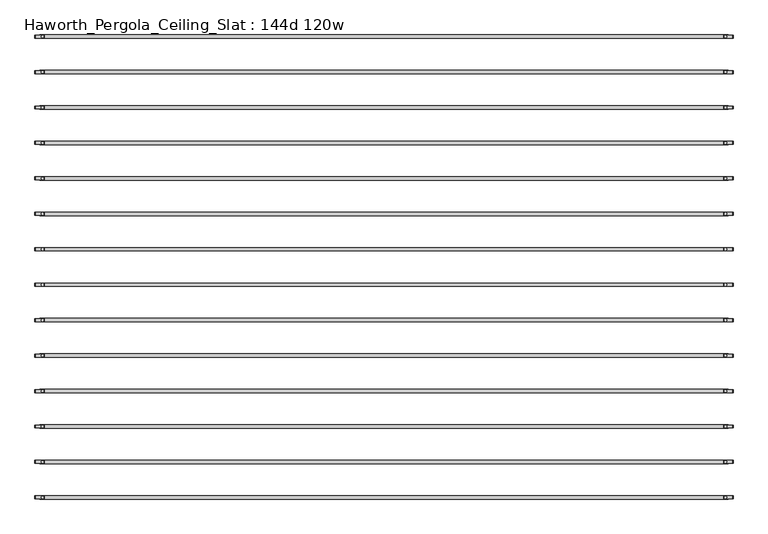
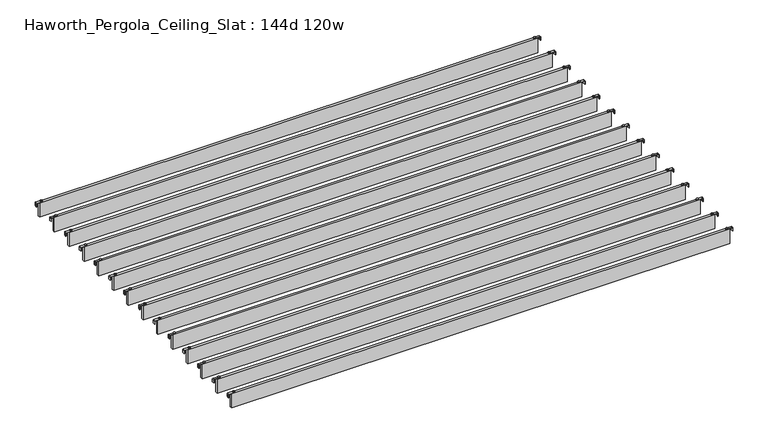
"""IFC4 building model written with IfcOpenShell, lengths in millimetres: furniture geometry, Haworth_Pergola_Ceiling_Slat : 144d 120w."""

from ifc_helpers import new_model, si_unit, point, frame, frame_2d, origin, place, context, project, spatial, polyline, circle_curve, trimmed, segment, composite_curve, outline, extrude, source, transform, mapped, element, save


def haworth_pergola_ceiling_slat_144d_120w_b6685e65(model_context):
    return source(origin(), model_context, "Body", "SweptSolid", [
        extrude(outline(composite_curve([segment(trimmed(circle_curve(frame_2d((1548.4, 307.8756087)), 5.9838099), [point((1542.4161901, 307.8756087))], [point((1554.3838099, 307.8756087))], False, "CARTESIAN"), True, "CONTINUOUS"), segment(trimmed(circle_curve(frame_2d((1548.4, 307.8756087)), 5.9838099), [point((1554.3838099, 307.8756087))], [point((1542.4161901, 307.8756087))], False, "CARTESIAN"), True, "CONTINUOUS")], self_intersect=False)), frame((0.0, 0.0, 2440.9329992), z_axis=(0.0, 0.0, 1.0), x_axis=(1.0, 0.0, 0.0)), (0.0, 0.0, 1.0), 3.4400008),
        extrude(outline(composite_curve([segment(trimmed(circle_curve(frame_2d((-1472.2, 307.8756087)), 5.9838099), [point((-1466.2161901, 307.8756087))], [point((-1478.1838099, 307.8756087))], False, "CARTESIAN"), True, "CONTINUOUS"), segment(trimmed(circle_curve(frame_2d((-1472.2, 307.8756087)), 5.9838099), [point((-1478.1838099, 307.8756087))], [point((-1466.2161901, 307.8756087))], False, "CARTESIAN"), True, "CONTINUOUS")], self_intersect=False)), frame((0.0, 0.0, 2440.9329992), z_axis=(0.0, 0.0, 1.0), x_axis=(1.0, 0.0, 0.0)), (0.0, 0.0, 1.0), 3.4400008),
        extrude(outline(composite_curve([segment(polyline([(2419.2231711, 1582.56), (2437.2499992, 1582.56)]), True, "CONTINUOUS"), segment(trimmed(circle_curve(frame_2d((2437.2499992, 1578.877)), 3.683), [point((2437.2499992, 1582.56))], [point((2440.9329992, 1578.877))], False, "CARTESIAN"), True, "CONTINUOUS"), segment(polyline([(2440.9329992, 1578.877), (2440.9329992, 1541.9), (2438.2729997, 1541.9), (2438.2729997, 1578.8905568)]), True, "CONTINUOUS"), segment(trimmed(circle_curve(frame_2d((2437.2635571, 1578.8905568)), 1.0094425), [point((2438.2729997, 1578.8905568))], [point((2437.2635571, 1579.8999993))], True, "CARTESIAN"), True, "CONTINUOUS"), segment(polyline([(2437.2635571, 1579.8999993), (2419.2231711, 1579.8999993), (2419.2231711, 1582.56)]), True, "CONTINUOUS")], self_intersect=False)), frame((0.0, 301.3826084, 0.0), z_axis=(0.0, 1.0, 0.0), x_axis=(0.0, 0.0, 1.0)), (0.0, 0.0, 1.0), 13.0),
        extrude(outline(composite_curve([segment(polyline([(2419.2231711, -1506.36), (2419.2231711, -1503.6999993), (2437.2635571, -1503.6999993)]), True, "CONTINUOUS"), segment(trimmed(circle_curve(frame_2d((2437.2635571, -1502.6905568)), 1.0094425), [point((2437.2635571, -1503.6999993))], [point((2438.2729997, -1502.6905568))], True, "CARTESIAN"), True, "CONTINUOUS"), segment(polyline([(2438.2729997, -1502.6905568), (2438.2729997, -1465.7), (2440.9329992, -1465.7), (2440.9329992, -1502.677)]), True, "CONTINUOUS"), segment(trimmed(circle_curve(frame_2d((2437.2499992, -1502.677)), 3.683), [point((2440.9329992, -1502.677))], [point((2437.2499992, -1506.36))], False, "CARTESIAN"), True, "CONTINUOUS"), segment(polyline([(2437.2499992, -1506.36), (2419.2231711, -1506.36)]), True, "CONTINUOUS")], self_intersect=False)), frame((0.0, 301.3826084, 0.0), z_axis=(0.0, 1.0, 0.0), x_axis=(0.0, 0.0, 1.0)), (0.0, 0.0, 1.0), 13.0),
        extrude(outline(polyline([(-1485.9, 300.3826087), (-1485.9, 315.3686087), (1562.1, 315.3686087), (1562.1, 300.3826087), (-1485.9, 300.3826087)])), frame((0.0, 0.0, 2346.198), z_axis=(0.0, 0.0, 1.0), x_axis=(1.0, 0.0, 0.0)), (0.0, 0.0, 1.0), 92.202),
        extrude(outline(composite_curve([segment(trimmed(circle_curve(frame_2d((1548.4, 151.0582174)), 5.9838099), [point((1542.4161901, 151.0582174))], [point((1554.3838099, 151.0582174))], False, "CARTESIAN"), True, "CONTINUOUS"), segment(trimmed(circle_curve(frame_2d((1548.4, 151.0582174)), 5.9838099), [point((1554.3838099, 151.0582174))], [point((1542.4161901, 151.0582174))], False, "CARTESIAN"), True, "CONTINUOUS")], self_intersect=False)), frame((0.0, 0.0, 2440.9329992), z_axis=(0.0, 0.0, 1.0), x_axis=(1.0, 0.0, 0.0)), (0.0, 0.0, 1.0), 3.4400008),
        extrude(outline(composite_curve([segment(trimmed(circle_curve(frame_2d((-1472.2, 151.0582174)), 5.9838099), [point((-1466.2161901, 151.0582174))], [point((-1478.1838099, 151.0582174))], False, "CARTESIAN"), True, "CONTINUOUS"), segment(trimmed(circle_curve(frame_2d((-1472.2, 151.0582174)), 5.9838099), [point((-1478.1838099, 151.0582174))], [point((-1466.2161901, 151.0582174))], False, "CARTESIAN"), True, "CONTINUOUS")], self_intersect=False)), frame((0.0, 0.0, 2440.9329992), z_axis=(0.0, 0.0, 1.0), x_axis=(1.0, 0.0, 0.0)), (0.0, 0.0, 1.0), 3.4400008),
        extrude(outline(composite_curve([segment(polyline([(2419.2231711, 1582.56), (2437.2499992, 1582.56)]), True, "CONTINUOUS"), segment(trimmed(circle_curve(frame_2d((2437.2499992, 1578.877)), 3.683), [point((2437.2499992, 1582.56))], [point((2440.9329992, 1578.877))], False, "CARTESIAN"), True, "CONTINUOUS"), segment(polyline([(2440.9329992, 1578.877), (2440.9329992, 1541.9), (2438.2729997, 1541.9), (2438.2729997, 1578.8905568)]), True, "CONTINUOUS"), segment(trimmed(circle_curve(frame_2d((2437.2635571, 1578.8905568)), 1.0094425), [point((2438.2729997, 1578.8905568))], [point((2437.2635571, 1579.8999993))], True, "CARTESIAN"), True, "CONTINUOUS"), segment(polyline([(2437.2635571, 1579.8999993), (2419.2231711, 1579.8999993), (2419.2231711, 1582.56)]), True, "CONTINUOUS")], self_intersect=False)), frame((0.0, 144.5652171, 0.0), z_axis=(0.0, 1.0, 0.0), x_axis=(0.0, 0.0, 1.0)), (0.0, 0.0, 1.0), 13.0),
        extrude(outline(composite_curve([segment(polyline([(2419.2231711, -1506.36), (2419.2231711, -1503.6999993), (2437.2635571, -1503.6999993)]), True, "CONTINUOUS"), segment(trimmed(circle_curve(frame_2d((2437.2635571, -1502.6905568)), 1.0094425), [point((2437.2635571, -1503.6999993))], [point((2438.2729997, -1502.6905568))], True, "CARTESIAN"), True, "CONTINUOUS"), segment(polyline([(2438.2729997, -1502.6905568), (2438.2729997, -1465.7), (2440.9329992, -1465.7), (2440.9329992, -1502.677)]), True, "CONTINUOUS"), segment(trimmed(circle_curve(frame_2d((2437.2499992, -1502.677)), 3.683), [point((2440.9329992, -1502.677))], [point((2437.2499992, -1506.36))], False, "CARTESIAN"), True, "CONTINUOUS"), segment(polyline([(2437.2499992, -1506.36), (2419.2231711, -1506.36)]), True, "CONTINUOUS")], self_intersect=False)), frame((0.0, 144.5652171, 0.0), z_axis=(0.0, 1.0, 0.0), x_axis=(0.0, 0.0, 1.0)), (0.0, 0.0, 1.0), 13.0),
        extrude(outline(polyline([(-1485.9, 143.5652174), (-1485.9, 158.5512174), (1562.1, 158.5512174), (1562.1, 143.5652174), (-1485.9, 143.5652174)])), frame((0.0, 0.0, 2346.198), z_axis=(0.0, 0.0, 1.0), x_axis=(1.0, 0.0, 0.0)), (0.0, 0.0, 1.0), 92.202),
        extrude(outline(composite_curve([segment(trimmed(circle_curve(frame_2d((1548.4, -5.7591739)), 5.9838099), [point((1542.4161901, -5.7591739))], [point((1554.3838099, -5.7591739))], False, "CARTESIAN"), True, "CONTINUOUS"), segment(trimmed(circle_curve(frame_2d((1548.4, -5.7591739)), 5.9838099), [point((1554.3838099, -5.7591739))], [point((1542.4161901, -5.7591739))], False, "CARTESIAN"), True, "CONTINUOUS")], self_intersect=False)), frame((0.0, 0.0, 2440.9329992), z_axis=(0.0, 0.0, 1.0), x_axis=(1.0, 0.0, 0.0)), (0.0, 0.0, 1.0), 3.4400008),
        extrude(outline(composite_curve([segment(trimmed(circle_curve(frame_2d((-1472.2, -5.7591739)), 5.9838099), [point((-1466.2161901, -5.7591739))], [point((-1478.1838099, -5.7591739))], False, "CARTESIAN"), True, "CONTINUOUS"), segment(trimmed(circle_curve(frame_2d((-1472.2, -5.7591739)), 5.9838099), [point((-1478.1838099, -5.7591739))], [point((-1466.2161901, -5.7591739))], False, "CARTESIAN"), True, "CONTINUOUS")], self_intersect=False)), frame((0.0, 0.0, 2440.9329992), z_axis=(0.0, 0.0, 1.0), x_axis=(1.0, 0.0, 0.0)), (0.0, 0.0, 1.0), 3.4400008),
        extrude(outline(composite_curve([segment(polyline([(2419.2231711, 1582.56), (2437.2499992, 1582.56)]), True, "CONTINUOUS"), segment(trimmed(circle_curve(frame_2d((2437.2499992, 1578.877)), 3.683), [point((2437.2499992, 1582.56))], [point((2440.9329992, 1578.877))], False, "CARTESIAN"), True, "CONTINUOUS"), segment(polyline([(2440.9329992, 1578.877), (2440.9329992, 1541.9), (2438.2729997, 1541.9), (2438.2729997, 1578.8905568)]), True, "CONTINUOUS"), segment(trimmed(circle_curve(frame_2d((2437.2635571, 1578.8905568)), 1.0094425), [point((2438.2729997, 1578.8905568))], [point((2437.2635571, 1579.8999993))], True, "CARTESIAN"), True, "CONTINUOUS"), segment(polyline([(2437.2635571, 1579.8999993), (2419.2231711, 1579.8999993), (2419.2231711, 1582.56)]), True, "CONTINUOUS")], self_intersect=False)), frame((0.0, -12.2521743, 0.0), z_axis=(0.0, 1.0, 0.0), x_axis=(0.0, 0.0, 1.0)), (0.0, 0.0, 1.0), 13.0),
        extrude(outline(composite_curve([segment(polyline([(2419.2231711, -1506.36), (2419.2231711, -1503.6999993), (2437.2635571, -1503.6999993)]), True, "CONTINUOUS"), segment(trimmed(circle_curve(frame_2d((2437.2635571, -1502.6905568)), 1.0094425), [point((2437.2635571, -1503.6999993))], [point((2438.2729997, -1502.6905568))], True, "CARTESIAN"), True, "CONTINUOUS"), segment(polyline([(2438.2729997, -1502.6905568), (2438.2729997, -1465.7), (2440.9329992, -1465.7), (2440.9329992, -1502.677)]), True, "CONTINUOUS"), segment(trimmed(circle_curve(frame_2d((2437.2499992, -1502.677)), 3.683), [point((2440.9329992, -1502.677))], [point((2437.2499992, -1506.36))], False, "CARTESIAN"), True, "CONTINUOUS"), segment(polyline([(2437.2499992, -1506.36), (2419.2231711, -1506.36)]), True, "CONTINUOUS")], self_intersect=False)), frame((0.0, -12.2521743, 0.0), z_axis=(0.0, 1.0, 0.0), x_axis=(0.0, 0.0, 1.0)), (0.0, 0.0, 1.0), 13.0),
        extrude(outline(polyline([(-1485.9, -13.2521739), (-1485.9, 1.7338261), (1562.1, 1.7338261), (1562.1, -13.2521739), (-1485.9, -13.2521739)])), frame((0.0, 0.0, 2346.198), z_axis=(0.0, 0.0, 1.0), x_axis=(1.0, 0.0, 0.0)), (0.0, 0.0, 1.0), 92.202),
        extrude(outline(composite_curve([segment(trimmed(circle_curve(frame_2d((1548.4, -162.5765652)), 5.9838099), [point((1542.4161901, -162.5765652))], [point((1554.3838099, -162.5765652))], False, "CARTESIAN"), True, "CONTINUOUS"), segment(trimmed(circle_curve(frame_2d((1548.4, -162.5765652)), 5.9838099), [point((1554.3838099, -162.5765652))], [point((1542.4161901, -162.5765652))], False, "CARTESIAN"), True, "CONTINUOUS")], self_intersect=False)), frame((0.0, 0.0, 2440.9329992), z_axis=(0.0, 0.0, 1.0), x_axis=(1.0, 0.0, 0.0)), (0.0, 0.0, 1.0), 3.4400008),
        extrude(outline(composite_curve([segment(trimmed(circle_curve(frame_2d((-1472.2, -162.5765652)), 5.9838099), [point((-1466.2161901, -162.5765652))], [point((-1478.1838099, -162.5765652))], False, "CARTESIAN"), True, "CONTINUOUS"), segment(trimmed(circle_curve(frame_2d((-1472.2, -162.5765652)), 5.9838099), [point((-1478.1838099, -162.5765652))], [point((-1466.2161901, -162.5765652))], False, "CARTESIAN"), True, "CONTINUOUS")], self_intersect=False)), frame((0.0, 0.0, 2440.9329992), z_axis=(0.0, 0.0, 1.0), x_axis=(1.0, 0.0, 0.0)), (0.0, 0.0, 1.0), 3.4400008),
        extrude(outline(composite_curve([segment(polyline([(2419.2231711, 1582.56), (2437.2499992, 1582.56)]), True, "CONTINUOUS"), segment(trimmed(circle_curve(frame_2d((2437.2499992, 1578.877)), 3.683), [point((2437.2499992, 1582.56))], [point((2440.9329992, 1578.877))], False, "CARTESIAN"), True, "CONTINUOUS"), segment(polyline([(2440.9329992, 1578.877), (2440.9329992, 1541.9), (2438.2729997, 1541.9), (2438.2729997, 1578.8905568)]), True, "CONTINUOUS"), segment(trimmed(circle_curve(frame_2d((2437.2635571, 1578.8905568)), 1.0094425), [point((2438.2729997, 1578.8905568))], [point((2437.2635571, 1579.8999993))], True, "CARTESIAN"), True, "CONTINUOUS"), segment(polyline([(2437.2635571, 1579.8999993), (2419.2231711, 1579.8999993), (2419.2231711, 1582.56)]), True, "CONTINUOUS")], self_intersect=False)), frame((0.0, -169.0695656, 0.0), z_axis=(0.0, 1.0, 0.0), x_axis=(0.0, 0.0, 1.0)), (0.0, 0.0, 1.0), 13.0),
        extrude(outline(composite_curve([segment(polyline([(2419.2231711, -1506.36), (2419.2231711, -1503.6999993), (2437.2635571, -1503.6999993)]), True, "CONTINUOUS"), segment(trimmed(circle_curve(frame_2d((2437.2635571, -1502.6905568)), 1.0094425), [point((2437.2635571, -1503.6999993))], [point((2438.2729997, -1502.6905568))], True, "CARTESIAN"), True, "CONTINUOUS"), segment(polyline([(2438.2729997, -1502.6905568), (2438.2729997, -1465.7), (2440.9329992, -1465.7), (2440.9329992, -1502.677)]), True, "CONTINUOUS"), segment(trimmed(circle_curve(frame_2d((2437.2499992, -1502.677)), 3.683), [point((2440.9329992, -1502.677))], [point((2437.2499992, -1506.36))], False, "CARTESIAN"), True, "CONTINUOUS"), segment(polyline([(2437.2499992, -1506.36), (2419.2231711, -1506.36)]), True, "CONTINUOUS")], self_intersect=False)), frame((0.0, -169.0695656, 0.0), z_axis=(0.0, 1.0, 0.0), x_axis=(0.0, 0.0, 1.0)), (0.0, 0.0, 1.0), 13.0),
        extrude(outline(polyline([(-1485.9, -170.0695652), (-1485.9, -155.0835652), (1562.1, -155.0835652), (1562.1, -170.0695652), (-1485.9, -170.0695652)])), frame((0.0, 0.0, 2346.198), z_axis=(0.0, 0.0, 1.0), x_axis=(1.0, 0.0, 0.0)), (0.0, 0.0, 1.0), 92.202),
        extrude(outline(composite_curve([segment(trimmed(circle_curve(frame_2d((1548.4, -319.3939565)), 5.9838099), [point((1542.4161901, -319.3939565))], [point((1554.3838099, -319.3939565))], False, "CARTESIAN"), True, "CONTINUOUS"), segment(trimmed(circle_curve(frame_2d((1548.4, -319.3939565)), 5.9838099), [point((1554.3838099, -319.3939565))], [point((1542.4161901, -319.3939565))], False, "CARTESIAN"), True, "CONTINUOUS")], self_intersect=False)), frame((0.0, 0.0, 2440.9329992), z_axis=(0.0, 0.0, 1.0), x_axis=(1.0, 0.0, 0.0)), (0.0, 0.0, 1.0), 3.4400008),
        extrude(outline(composite_curve([segment(trimmed(circle_curve(frame_2d((-1472.2, -319.3939565)), 5.9838099), [point((-1466.2161901, -319.3939565))], [point((-1478.1838099, -319.3939565))], False, "CARTESIAN"), True, "CONTINUOUS"), segment(trimmed(circle_curve(frame_2d((-1472.2, -319.3939565)), 5.9838099), [point((-1478.1838099, -319.3939565))], [point((-1466.2161901, -319.3939565))], False, "CARTESIAN"), True, "CONTINUOUS")], self_intersect=False)), frame((0.0, 0.0, 2440.9329992), z_axis=(0.0, 0.0, 1.0), x_axis=(1.0, 0.0, 0.0)), (0.0, 0.0, 1.0), 3.4400008),
        extrude(outline(composite_curve([segment(polyline([(2419.2231711, 1582.56), (2437.2499992, 1582.56)]), True, "CONTINUOUS"), segment(trimmed(circle_curve(frame_2d((2437.2499992, 1578.877)), 3.683), [point((2437.2499992, 1582.56))], [point((2440.9329992, 1578.877))], False, "CARTESIAN"), True, "CONTINUOUS"), segment(polyline([(2440.9329992, 1578.877), (2440.9329992, 1541.9), (2438.2729997, 1541.9), (2438.2729997, 1578.8905568)]), True, "CONTINUOUS"), segment(trimmed(circle_curve(frame_2d((2437.2635571, 1578.8905568)), 1.0094425), [point((2438.2729997, 1578.8905568))], [point((2437.2635571, 1579.8999993))], True, "CARTESIAN"), True, "CONTINUOUS"), segment(polyline([(2437.2635571, 1579.8999993), (2419.2231711, 1579.8999993), (2419.2231711, 1582.56)]), True, "CONTINUOUS")], self_intersect=False)), frame((0.0, -325.8869569, 0.0), z_axis=(0.0, 1.0, 0.0), x_axis=(0.0, 0.0, 1.0)), (0.0, 0.0, 1.0), 13.0),
        extrude(outline(composite_curve([segment(polyline([(2419.2231711, -1506.36), (2419.2231711, -1503.6999993), (2437.2635571, -1503.6999993)]), True, "CONTINUOUS"), segment(trimmed(circle_curve(frame_2d((2437.2635571, -1502.6905568)), 1.0094425), [point((2437.2635571, -1503.6999993))], [point((2438.2729997, -1502.6905568))], True, "CARTESIAN"), True, "CONTINUOUS"), segment(polyline([(2438.2729997, -1502.6905568), (2438.2729997, -1465.7), (2440.9329992, -1465.7), (2440.9329992, -1502.677)]), True, "CONTINUOUS"), segment(trimmed(circle_curve(frame_2d((2437.2499992, -1502.677)), 3.683), [point((2440.9329992, -1502.677))], [point((2437.2499992, -1506.36))], False, "CARTESIAN"), True, "CONTINUOUS"), segment(polyline([(2437.2499992, -1506.36), (2419.2231711, -1506.36)]), True, "CONTINUOUS")], self_intersect=False)), frame((0.0, -325.8869569, 0.0), z_axis=(0.0, 1.0, 0.0), x_axis=(0.0, 0.0, 1.0)), (0.0, 0.0, 1.0), 13.0),
        extrude(outline(polyline([(-1485.9, -326.8869565), (-1485.9, -311.9009565), (1562.1, -311.9009565), (1562.1, -326.8869565), (-1485.9, -326.8869565)])), frame((0.0, 0.0, 2346.198), z_axis=(0.0, 0.0, 1.0), x_axis=(1.0, 0.0, 0.0)), (0.0, 0.0, 1.0), 92.202),
        extrude(outline(composite_curve([segment(trimmed(circle_curve(frame_2d((1548.4, -476.2113478)), 5.9838099), [point((1542.4161901, -476.2113478))], [point((1554.3838099, -476.2113478))], False, "CARTESIAN"), True, "CONTINUOUS"), segment(trimmed(circle_curve(frame_2d((1548.4, -476.2113478)), 5.9838099), [point((1554.3838099, -476.2113478))], [point((1542.4161901, -476.2113478))], False, "CARTESIAN"), True, "CONTINUOUS")], self_intersect=False)), frame((0.0, 0.0, 2440.9329992), z_axis=(0.0, 0.0, 1.0), x_axis=(1.0, 0.0, 0.0)), (0.0, 0.0, 1.0), 3.4400008),
        extrude(outline(composite_curve([segment(trimmed(circle_curve(frame_2d((-1472.2, -476.2113478)), 5.9838099), [point((-1466.2161901, -476.2113478))], [point((-1478.1838099, -476.2113478))], False, "CARTESIAN"), True, "CONTINUOUS"), segment(trimmed(circle_curve(frame_2d((-1472.2, -476.2113478)), 5.9838099), [point((-1478.1838099, -476.2113478))], [point((-1466.2161901, -476.2113478))], False, "CARTESIAN"), True, "CONTINUOUS")], self_intersect=False)), frame((0.0, 0.0, 2440.9329992), z_axis=(0.0, 0.0, 1.0), x_axis=(1.0, 0.0, 0.0)), (0.0, 0.0, 1.0), 3.4400008),
        extrude(outline(composite_curve([segment(polyline([(2419.2231711, 1582.56), (2437.2499992, 1582.56)]), True, "CONTINUOUS"), segment(trimmed(circle_curve(frame_2d((2437.2499992, 1578.877)), 3.683), [point((2437.2499992, 1582.56))], [point((2440.9329992, 1578.877))], False, "CARTESIAN"), True, "CONTINUOUS"), segment(polyline([(2440.9329992, 1578.877), (2440.9329992, 1541.9), (2438.2729997, 1541.9), (2438.2729997, 1578.8905568)]), True, "CONTINUOUS"), segment(trimmed(circle_curve(frame_2d((2437.2635571, 1578.8905568)), 1.0094425), [point((2438.2729997, 1578.8905568))], [point((2437.2635571, 1579.8999993))], True, "CARTESIAN"), True, "CONTINUOUS"), segment(polyline([(2437.2635571, 1579.8999993), (2419.2231711, 1579.8999993), (2419.2231711, 1582.56)]), True, "CONTINUOUS")], self_intersect=False)), frame((0.0, -482.7043482, 0.0), z_axis=(0.0, 1.0, 0.0), x_axis=(0.0, 0.0, 1.0)), (0.0, 0.0, 1.0), 13.0),
        extrude(outline(composite_curve([segment(polyline([(2419.2231711, -1506.36), (2419.2231711, -1503.6999993), (2437.2635571, -1503.6999993)]), True, "CONTINUOUS"), segment(trimmed(circle_curve(frame_2d((2437.2635571, -1502.6905568)), 1.0094425), [point((2437.2635571, -1503.6999993))], [point((2438.2729997, -1502.6905568))], True, "CARTESIAN"), True, "CONTINUOUS"), segment(polyline([(2438.2729997, -1502.6905568), (2438.2729997, -1465.7), (2440.9329992, -1465.7), (2440.9329992, -1502.677)]), True, "CONTINUOUS"), segment(trimmed(circle_curve(frame_2d((2437.2499992, -1502.677)), 3.683), [point((2440.9329992, -1502.677))], [point((2437.2499992, -1506.36))], False, "CARTESIAN"), True, "CONTINUOUS"), segment(polyline([(2437.2499992, -1506.36), (2419.2231711, -1506.36)]), True, "CONTINUOUS")], self_intersect=False)), frame((0.0, -482.7043482, 0.0), z_axis=(0.0, 1.0, 0.0), x_axis=(0.0, 0.0, 1.0)), (0.0, 0.0, 1.0), 13.0),
        extrude(outline(polyline([(-1485.9, -483.7043478), (-1485.9, -468.7183478), (1562.1, -468.7183478), (1562.1, -483.7043478), (-1485.9, -483.7043478)])), frame((0.0, 0.0, 2346.198), z_axis=(0.0, 0.0, 1.0), x_axis=(1.0, 0.0, 0.0)), (0.0, 0.0, 1.0), 92.202),
        extrude(outline(composite_curve([segment(trimmed(circle_curve(frame_2d((1548.4, -633.0287391)), 5.9838099), [point((1542.4161901, -633.0287391))], [point((1554.3838099, -633.0287391))], False, "CARTESIAN"), True, "CONTINUOUS"), segment(trimmed(circle_curve(frame_2d((1548.4, -633.0287391)), 5.9838099), [point((1554.3838099, -633.0287391))], [point((1542.4161901, -633.0287391))], False, "CARTESIAN"), True, "CONTINUOUS")], self_intersect=False)), frame((0.0, 0.0, 2440.9329992), z_axis=(0.0, 0.0, 1.0), x_axis=(1.0, 0.0, 0.0)), (0.0, 0.0, 1.0), 3.4400008),
        extrude(outline(composite_curve([segment(trimmed(circle_curve(frame_2d((-1472.2, -633.0287391)), 5.9838099), [point((-1466.2161901, -633.0287391))], [point((-1478.1838099, -633.0287391))], False, "CARTESIAN"), True, "CONTINUOUS"), segment(trimmed(circle_curve(frame_2d((-1472.2, -633.0287391)), 5.9838099), [point((-1478.1838099, -633.0287391))], [point((-1466.2161901, -633.0287391))], False, "CARTESIAN"), True, "CONTINUOUS")], self_intersect=False)), frame((0.0, 0.0, 2440.9329992), z_axis=(0.0, 0.0, 1.0), x_axis=(1.0, 0.0, 0.0)), (0.0, 0.0, 1.0), 3.4400008),
        extrude(outline(composite_curve([segment(polyline([(2419.2231711, 1582.56), (2437.2499992, 1582.56)]), True, "CONTINUOUS"), segment(trimmed(circle_curve(frame_2d((2437.2499992, 1578.877)), 3.683), [point((2437.2499992, 1582.56))], [point((2440.9329992, 1578.877))], False, "CARTESIAN"), True, "CONTINUOUS"), segment(polyline([(2440.9329992, 1578.877), (2440.9329992, 1541.9), (2438.2729997, 1541.9), (2438.2729997, 1578.8905568)]), True, "CONTINUOUS"), segment(trimmed(circle_curve(frame_2d((2437.2635571, 1578.8905568)), 1.0094425), [point((2438.2729997, 1578.8905568))], [point((2437.2635571, 1579.8999993))], True, "CARTESIAN"), True, "CONTINUOUS"), segment(polyline([(2437.2635571, 1579.8999993), (2419.2231711, 1579.8999993), (2419.2231711, 1582.56)]), True, "CONTINUOUS")], self_intersect=False)), frame((0.0, -639.5217395, 0.0), z_axis=(0.0, 1.0, 0.0), x_axis=(0.0, 0.0, 1.0)), (0.0, 0.0, 1.0), 13.0),
        extrude(outline(composite_curve([segment(polyline([(2419.2231711, -1506.36), (2419.2231711, -1503.6999993), (2437.2635571, -1503.6999993)]), True, "CONTINUOUS"), segment(trimmed(circle_curve(frame_2d((2437.2635571, -1502.6905568)), 1.0094425), [point((2437.2635571, -1503.6999993))], [point((2438.2729997, -1502.6905568))], True, "CARTESIAN"), True, "CONTINUOUS"), segment(polyline([(2438.2729997, -1502.6905568), (2438.2729997, -1465.7), (2440.9329992, -1465.7), (2440.9329992, -1502.677)]), True, "CONTINUOUS"), segment(trimmed(circle_curve(frame_2d((2437.2499992, -1502.677)), 3.683), [point((2440.9329992, -1502.677))], [point((2437.2499992, -1506.36))], False, "CARTESIAN"), True, "CONTINUOUS"), segment(polyline([(2437.2499992, -1506.36), (2419.2231711, -1506.36)]), True, "CONTINUOUS")], self_intersect=False)), frame((0.0, -639.5217395, 0.0), z_axis=(0.0, 1.0, 0.0), x_axis=(0.0, 0.0, 1.0)), (0.0, 0.0, 1.0), 13.0),
        extrude(outline(polyline([(-1485.9, -640.5217391), (-1485.9, -625.5357391), (1562.1, -625.5357391), (1562.1, -640.5217391), (-1485.9, -640.5217391)])), frame((0.0, 0.0, 2346.198), z_axis=(0.0, 0.0, 1.0), x_axis=(1.0, 0.0, 0.0)), (0.0, 0.0, 1.0), 92.202),
        extrude(outline(composite_curve([segment(trimmed(circle_curve(frame_2d((1548.4, -789.8461304)), 5.9838099), [point((1542.4161901, -789.8461304))], [point((1554.3838099, -789.8461304))], False, "CARTESIAN"), True, "CONTINUOUS"), segment(trimmed(circle_curve(frame_2d((1548.4, -789.8461304)), 5.9838099), [point((1554.3838099, -789.8461304))], [point((1542.4161901, -789.8461304))], False, "CARTESIAN"), True, "CONTINUOUS")], self_intersect=False)), frame((0.0, 0.0, 2440.9329992), z_axis=(0.0, 0.0, 1.0), x_axis=(1.0, 0.0, 0.0)), (0.0, 0.0, 1.0), 3.4400008),
        extrude(outline(composite_curve([segment(trimmed(circle_curve(frame_2d((-1472.2, -789.8461304)), 5.9838099), [point((-1466.2161901, -789.8461304))], [point((-1478.1838099, -789.8461304))], False, "CARTESIAN"), True, "CONTINUOUS"), segment(trimmed(circle_curve(frame_2d((-1472.2, -789.8461304)), 5.9838099), [point((-1478.1838099, -789.8461304))], [point((-1466.2161901, -789.8461304))], False, "CARTESIAN"), True, "CONTINUOUS")], self_intersect=False)), frame((0.0, 0.0, 2440.9329992), z_axis=(0.0, 0.0, 1.0), x_axis=(1.0, 0.0, 0.0)), (0.0, 0.0, 1.0), 3.4400008),
        extrude(outline(composite_curve([segment(polyline([(2419.2231711, 1582.56), (2437.2499992, 1582.56)]), True, "CONTINUOUS"), segment(trimmed(circle_curve(frame_2d((2437.2499992, 1578.877)), 3.683), [point((2437.2499992, 1582.56))], [point((2440.9329992, 1578.877))], False, "CARTESIAN"), True, "CONTINUOUS"), segment(polyline([(2440.9329992, 1578.877), (2440.9329992, 1541.9), (2438.2729997, 1541.9), (2438.2729997, 1578.8905568)]), True, "CONTINUOUS"), segment(trimmed(circle_curve(frame_2d((2437.2635571, 1578.8905568)), 1.0094425), [point((2438.2729997, 1578.8905568))], [point((2437.2635571, 1579.8999993))], True, "CARTESIAN"), True, "CONTINUOUS"), segment(polyline([(2437.2635571, 1579.8999993), (2419.2231711, 1579.8999993), (2419.2231711, 1582.56)]), True, "CONTINUOUS")], self_intersect=False)), frame((0.0, -796.3391308, 0.0), z_axis=(0.0, 1.0, 0.0), x_axis=(0.0, 0.0, 1.0)), (0.0, 0.0, 1.0), 13.0),
        extrude(outline(composite_curve([segment(polyline([(2419.2231711, -1506.36), (2419.2231711, -1503.6999993), (2437.2635571, -1503.6999993)]), True, "CONTINUOUS"), segment(trimmed(circle_curve(frame_2d((2437.2635571, -1502.6905568)), 1.0094425), [point((2437.2635571, -1503.6999993))], [point((2438.2729997, -1502.6905568))], True, "CARTESIAN"), True, "CONTINUOUS"), segment(polyline([(2438.2729997, -1502.6905568), (2438.2729997, -1465.7), (2440.9329992, -1465.7), (2440.9329992, -1502.677)]), True, "CONTINUOUS"), segment(trimmed(circle_curve(frame_2d((2437.2499992, -1502.677)), 3.683), [point((2440.9329992, -1502.677))], [point((2437.2499992, -1506.36))], False, "CARTESIAN"), True, "CONTINUOUS"), segment(polyline([(2437.2499992, -1506.36), (2419.2231711, -1506.36)]), True, "CONTINUOUS")], self_intersect=False)), frame((0.0, -796.3391308, 0.0), z_axis=(0.0, 1.0, 0.0), x_axis=(0.0, 0.0, 1.0)), (0.0, 0.0, 1.0), 13.0),
        extrude(outline(polyline([(-1485.9, -797.3391304), (-1485.9, -782.3531304), (1562.1, -782.3531304), (1562.1, -797.3391304), (-1485.9, -797.3391304)])), frame((0.0, 0.0, 2346.198), z_axis=(0.0, 0.0, 1.0), x_axis=(1.0, 0.0, 0.0)), (0.0, 0.0, 1.0), 92.202),
        extrude(outline(composite_curve([segment(trimmed(circle_curve(frame_2d((1548.4, -946.6635217)), 5.9838099), [point((1542.4161901, -946.6635217))], [point((1554.3838099, -946.6635217))], False, "CARTESIAN"), True, "CONTINUOUS"), segment(trimmed(circle_curve(frame_2d((1548.4, -946.6635217)), 5.9838099), [point((1554.3838099, -946.6635217))], [point((1542.4161901, -946.6635217))], False, "CARTESIAN"), True, "CONTINUOUS")], self_intersect=False)), frame((0.0, 0.0, 2440.9329992), z_axis=(0.0, 0.0, 1.0), x_axis=(1.0, 0.0, 0.0)), (0.0, 0.0, 1.0), 3.4400008),
        extrude(outline(composite_curve([segment(trimmed(circle_curve(frame_2d((-1472.2, -946.6635217)), 5.9838099), [point((-1466.2161901, -946.6635217))], [point((-1478.1838099, -946.6635217))], False, "CARTESIAN"), True, "CONTINUOUS"), segment(trimmed(circle_curve(frame_2d((-1472.2, -946.6635217)), 5.9838099), [point((-1478.1838099, -946.6635217))], [point((-1466.2161901, -946.6635217))], False, "CARTESIAN"), True, "CONTINUOUS")], self_intersect=False)), frame((0.0, 0.0, 2440.9329992), z_axis=(0.0, 0.0, 1.0), x_axis=(1.0, 0.0, 0.0)), (0.0, 0.0, 1.0), 3.4400008),
        extrude(outline(composite_curve([segment(polyline([(2419.2231711, 1582.56), (2437.2499992, 1582.56)]), True, "CONTINUOUS"), segment(trimmed(circle_curve(frame_2d((2437.2499992, 1578.877)), 3.683), [point((2437.2499992, 1582.56))], [point((2440.9329992, 1578.877))], False, "CARTESIAN"), True, "CONTINUOUS"), segment(polyline([(2440.9329992, 1578.877), (2440.9329992, 1541.9), (2438.2729997, 1541.9), (2438.2729997, 1578.8905568)]), True, "CONTINUOUS"), segment(trimmed(circle_curve(frame_2d((2437.2635571, 1578.8905568)), 1.0094425), [point((2438.2729997, 1578.8905568))], [point((2437.2635571, 1579.8999993))], True, "CARTESIAN"), True, "CONTINUOUS"), segment(polyline([(2437.2635571, 1579.8999993), (2419.2231711, 1579.8999993), (2419.2231711, 1582.56)]), True, "CONTINUOUS")], self_intersect=False)), frame((0.0, -953.1565221, 0.0), z_axis=(0.0, 1.0, 0.0), x_axis=(0.0, 0.0, 1.0)), (0.0, 0.0, 1.0), 13.0),
        extrude(outline(composite_curve([segment(polyline([(2419.2231711, -1506.36), (2419.2231711, -1503.6999993), (2437.2635571, -1503.6999993)]), True, "CONTINUOUS"), segment(trimmed(circle_curve(frame_2d((2437.2635571, -1502.6905568)), 1.0094425), [point((2437.2635571, -1503.6999993))], [point((2438.2729997, -1502.6905568))], True, "CARTESIAN"), True, "CONTINUOUS"), segment(polyline([(2438.2729997, -1502.6905568), (2438.2729997, -1465.7), (2440.9329992, -1465.7), (2440.9329992, -1502.677)]), True, "CONTINUOUS"), segment(trimmed(circle_curve(frame_2d((2437.2499992, -1502.677)), 3.683), [point((2440.9329992, -1502.677))], [point((2437.2499992, -1506.36))], False, "CARTESIAN"), True, "CONTINUOUS"), segment(polyline([(2437.2499992, -1506.36), (2419.2231711, -1506.36)]), True, "CONTINUOUS")], self_intersect=False)), frame((0.0, -953.1565221, 0.0), z_axis=(0.0, 1.0, 0.0), x_axis=(0.0, 0.0, 1.0)), (0.0, 0.0, 1.0), 13.0),
        extrude(outline(polyline([(-1485.9, -954.1565217), (-1485.9, -939.1705217), (1562.1, -939.1705217), (1562.1, -954.1565217), (-1485.9, -954.1565217)])), frame((0.0, 0.0, 2346.198), z_axis=(0.0, 0.0, 1.0), x_axis=(1.0, 0.0, 0.0)), (0.0, 0.0, 1.0), 92.202),
        extrude(outline(composite_curve([segment(trimmed(circle_curve(frame_2d((1548.4, -1103.480913)), 5.9838099), [point((1542.4161901, -1103.480913))], [point((1554.3838099, -1103.480913))], False, "CARTESIAN"), True, "CONTINUOUS"), segment(trimmed(circle_curve(frame_2d((1548.4, -1103.480913)), 5.9838099), [point((1554.3838099, -1103.480913))], [point((1542.4161901, -1103.480913))], False, "CARTESIAN"), True, "CONTINUOUS")], self_intersect=False)), frame((0.0, 0.0, 2440.9329992), z_axis=(0.0, 0.0, 1.0), x_axis=(1.0, 0.0, 0.0)), (0.0, 0.0, 1.0), 3.4400008),
        extrude(outline(composite_curve([segment(trimmed(circle_curve(frame_2d((-1472.2, -1103.480913)), 5.9838099), [point((-1466.2161901, -1103.480913))], [point((-1478.1838099, -1103.480913))], False, "CARTESIAN"), True, "CONTINUOUS"), segment(trimmed(circle_curve(frame_2d((-1472.2, -1103.480913)), 5.9838099), [point((-1478.1838099, -1103.480913))], [point((-1466.2161901, -1103.480913))], False, "CARTESIAN"), True, "CONTINUOUS")], self_intersect=False)), frame((0.0, 0.0, 2440.9329992), z_axis=(0.0, 0.0, 1.0), x_axis=(1.0, 0.0, 0.0)), (0.0, 0.0, 1.0), 3.4400008),
        extrude(outline(composite_curve([segment(polyline([(2419.2231711, 1582.56), (2437.2499992, 1582.56)]), True, "CONTINUOUS"), segment(trimmed(circle_curve(frame_2d((2437.2499992, 1578.877)), 3.683), [point((2437.2499992, 1582.56))], [point((2440.9329992, 1578.877))], False, "CARTESIAN"), True, "CONTINUOUS"), segment(polyline([(2440.9329992, 1578.877), (2440.9329992, 1541.9), (2438.2729997, 1541.9), (2438.2729997, 1578.8905568)]), True, "CONTINUOUS"), segment(trimmed(circle_curve(frame_2d((2437.2635571, 1578.8905568)), 1.0094425), [point((2438.2729997, 1578.8905568))], [point((2437.2635571, 1579.8999993))], True, "CARTESIAN"), True, "CONTINUOUS"), segment(polyline([(2437.2635571, 1579.8999993), (2419.2231711, 1579.8999993), (2419.2231711, 1582.56)]), True, "CONTINUOUS")], self_intersect=False)), frame((0.0, -1109.9739134, 0.0), z_axis=(0.0, 1.0, 0.0), x_axis=(0.0, 0.0, 1.0)), (0.0, 0.0, 1.0), 13.0),
        extrude(outline(composite_curve([segment(polyline([(2419.2231711, -1506.36), (2419.2231711, -1503.6999993), (2437.2635571, -1503.6999993)]), True, "CONTINUOUS"), segment(trimmed(circle_curve(frame_2d((2437.2635571, -1502.6905568)), 1.0094425), [point((2437.2635571, -1503.6999993))], [point((2438.2729997, -1502.6905568))], True, "CARTESIAN"), True, "CONTINUOUS"), segment(polyline([(2438.2729997, -1502.6905568), (2438.2729997, -1465.7), (2440.9329992, -1465.7), (2440.9329992, -1502.677)]), True, "CONTINUOUS"), segment(trimmed(circle_curve(frame_2d((2437.2499992, -1502.677)), 3.683), [point((2440.9329992, -1502.677))], [point((2437.2499992, -1506.36))], False, "CARTESIAN"), True, "CONTINUOUS"), segment(polyline([(2437.2499992, -1506.36), (2419.2231711, -1506.36)]), True, "CONTINUOUS")], self_intersect=False)), frame((0.0, -1109.9739134, 0.0), z_axis=(0.0, 1.0, 0.0), x_axis=(0.0, 0.0, 1.0)), (0.0, 0.0, 1.0), 13.0),
        extrude(outline(polyline([(-1485.9, -1110.973913), (-1485.9, -1095.987913), (1562.1, -1095.987913), (1562.1, -1110.973913), (-1485.9, -1110.973913)])), frame((0.0, 0.0, 2346.198), z_axis=(0.0, 0.0, 1.0), x_axis=(1.0, 0.0, 0.0)), (0.0, 0.0, 1.0), 92.202),
        extrude(outline(composite_curve([segment(trimmed(circle_curve(frame_2d((1548.4, -1260.2983043)), 5.9838099), [point((1542.4161901, -1260.2983043))], [point((1554.3838099, -1260.2983043))], False, "CARTESIAN"), True, "CONTINUOUS"), segment(trimmed(circle_curve(frame_2d((1548.4, -1260.2983043)), 5.9838099), [point((1554.3838099, -1260.2983043))], [point((1542.4161901, -1260.2983043))], False, "CARTESIAN"), True, "CONTINUOUS")], self_intersect=False)), frame((0.0, 0.0, 2440.9329992), z_axis=(0.0, 0.0, 1.0), x_axis=(1.0, 0.0, 0.0)), (0.0, 0.0, 1.0), 3.4400008),
        extrude(outline(composite_curve([segment(trimmed(circle_curve(frame_2d((-1472.2, -1260.2983043)), 5.9838099), [point((-1466.2161901, -1260.2983043))], [point((-1478.1838099, -1260.2983043))], False, "CARTESIAN"), True, "CONTINUOUS"), segment(trimmed(circle_curve(frame_2d((-1472.2, -1260.2983043)), 5.9838099), [point((-1478.1838099, -1260.2983043))], [point((-1466.2161901, -1260.2983043))], False, "CARTESIAN"), True, "CONTINUOUS")], self_intersect=False)), frame((0.0, 0.0, 2440.9329992), z_axis=(0.0, 0.0, 1.0), x_axis=(1.0, 0.0, 0.0)), (0.0, 0.0, 1.0), 3.4400008),
        extrude(outline(composite_curve([segment(polyline([(2419.2231711, 1582.56), (2437.2499992, 1582.56)]), True, "CONTINUOUS"), segment(trimmed(circle_curve(frame_2d((2437.2499992, 1578.877)), 3.683), [point((2437.2499992, 1582.56))], [point((2440.9329992, 1578.877))], False, "CARTESIAN"), True, "CONTINUOUS"), segment(polyline([(2440.9329992, 1578.877), (2440.9329992, 1541.9), (2438.2729997, 1541.9), (2438.2729997, 1578.8905568)]), True, "CONTINUOUS"), segment(trimmed(circle_curve(frame_2d((2437.2635571, 1578.8905568)), 1.0094425), [point((2438.2729997, 1578.8905568))], [point((2437.2635571, 1579.8999993))], True, "CARTESIAN"), True, "CONTINUOUS"), segment(polyline([(2437.2635571, 1579.8999993), (2419.2231711, 1579.8999993), (2419.2231711, 1582.56)]), True, "CONTINUOUS")], self_intersect=False)), frame((0.0, -1266.7913047, 0.0), z_axis=(0.0, 1.0, 0.0), x_axis=(0.0, 0.0, 1.0)), (0.0, 0.0, 1.0), 13.0),
        extrude(outline(composite_curve([segment(polyline([(2419.2231711, -1506.36), (2419.2231711, -1503.6999993), (2437.2635571, -1503.6999993)]), True, "CONTINUOUS"), segment(trimmed(circle_curve(frame_2d((2437.2635571, -1502.6905568)), 1.0094425), [point((2437.2635571, -1503.6999993))], [point((2438.2729997, -1502.6905568))], True, "CARTESIAN"), True, "CONTINUOUS"), segment(polyline([(2438.2729997, -1502.6905568), (2438.2729997, -1465.7), (2440.9329992, -1465.7), (2440.9329992, -1502.677)]), True, "CONTINUOUS"), segment(trimmed(circle_curve(frame_2d((2437.2499992, -1502.677)), 3.683), [point((2440.9329992, -1502.677))], [point((2437.2499992, -1506.36))], False, "CARTESIAN"), True, "CONTINUOUS"), segment(polyline([(2437.2499992, -1506.36), (2419.2231711, -1506.36)]), True, "CONTINUOUS")], self_intersect=False)), frame((0.0, -1266.7913047, 0.0), z_axis=(0.0, 1.0, 0.0), x_axis=(0.0, 0.0, 1.0)), (0.0, 0.0, 1.0), 13.0),
        extrude(outline(polyline([(-1485.9, -1267.7913043), (-1485.9, -1252.8053043), (1562.1, -1252.8053043), (1562.1, -1267.7913043), (-1485.9, -1267.7913043)])), frame((0.0, 0.0, 2346.198), z_axis=(0.0, 0.0, 1.0), x_axis=(1.0, 0.0, 0.0)), (0.0, 0.0, 1.0), 92.202),
        extrude(outline(composite_curve([segment(trimmed(circle_curve(frame_2d((1548.4, -1417.1156957)), 5.9838099), [point((1542.4161901, -1417.1156957))], [point((1554.3838099, -1417.1156957))], False, "CARTESIAN"), True, "CONTINUOUS"), segment(trimmed(circle_curve(frame_2d((1548.4, -1417.1156957)), 5.9838099), [point((1554.3838099, -1417.1156957))], [point((1542.4161901, -1417.1156957))], False, "CARTESIAN"), True, "CONTINUOUS")], self_intersect=False)), frame((0.0, 0.0, 2440.9329992), z_axis=(0.0, 0.0, 1.0), x_axis=(1.0, 0.0, 0.0)), (0.0, 0.0, 1.0), 3.4400008),
        extrude(outline(composite_curve([segment(trimmed(circle_curve(frame_2d((-1472.2, -1417.1156957)), 5.9838099), [point((-1466.2161901, -1417.1156957))], [point((-1478.1838099, -1417.1156957))], False, "CARTESIAN"), True, "CONTINUOUS"), segment(trimmed(circle_curve(frame_2d((-1472.2, -1417.1156957)), 5.9838099), [point((-1478.1838099, -1417.1156957))], [point((-1466.2161901, -1417.1156957))], False, "CARTESIAN"), True, "CONTINUOUS")], self_intersect=False)), frame((0.0, 0.0, 2440.9329992), z_axis=(0.0, 0.0, 1.0), x_axis=(1.0, 0.0, 0.0)), (0.0, 0.0, 1.0), 3.4400008),
        extrude(outline(composite_curve([segment(polyline([(2419.2231711, 1582.56), (2437.2499992, 1582.56)]), True, "CONTINUOUS"), segment(trimmed(circle_curve(frame_2d((2437.2499992, 1578.877)), 3.683), [point((2437.2499992, 1582.56))], [point((2440.9329992, 1578.877))], False, "CARTESIAN"), True, "CONTINUOUS"), segment(polyline([(2440.9329992, 1578.877), (2440.9329992, 1541.9), (2438.2729997, 1541.9), (2438.2729997, 1578.8905568)]), True, "CONTINUOUS"), segment(trimmed(circle_curve(frame_2d((2437.2635571, 1578.8905568)), 1.0094425), [point((2438.2729997, 1578.8905568))], [point((2437.2635571, 1579.8999993))], True, "CARTESIAN"), True, "CONTINUOUS"), segment(polyline([(2437.2635571, 1579.8999993), (2419.2231711, 1579.8999993), (2419.2231711, 1582.56)]), True, "CONTINUOUS")], self_intersect=False)), frame((0.0, -1423.608696, 0.0), z_axis=(0.0, 1.0, 0.0), x_axis=(0.0, 0.0, 1.0)), (0.0, 0.0, 1.0), 13.0),
        extrude(outline(composite_curve([segment(polyline([(2419.2231711, -1506.36), (2419.2231711, -1503.6999993), (2437.2635571, -1503.6999993)]), True, "CONTINUOUS"), segment(trimmed(circle_curve(frame_2d((2437.2635571, -1502.6905568)), 1.0094425), [point((2437.2635571, -1503.6999993))], [point((2438.2729997, -1502.6905568))], True, "CARTESIAN"), True, "CONTINUOUS"), segment(polyline([(2438.2729997, -1502.6905568), (2438.2729997, -1465.7), (2440.9329992, -1465.7), (2440.9329992, -1502.677)]), True, "CONTINUOUS"), segment(trimmed(circle_curve(frame_2d((2437.2499992, -1502.677)), 3.683), [point((2440.9329992, -1502.677))], [point((2437.2499992, -1506.36))], False, "CARTESIAN"), True, "CONTINUOUS"), segment(polyline([(2437.2499992, -1506.36), (2419.2231711, -1506.36)]), True, "CONTINUOUS")], self_intersect=False)), frame((0.0, -1423.608696, 0.0), z_axis=(0.0, 1.0, 0.0), x_axis=(0.0, 0.0, 1.0)), (0.0, 0.0, 1.0), 13.0),
        extrude(outline(polyline([(-1485.9, -1424.6086957), (-1485.9, -1409.6226957), (1562.1, -1409.6226957), (1562.1, -1424.6086957), (-1485.9, -1424.6086957)])), frame((0.0, 0.0, 2346.198), z_axis=(0.0, 0.0, 1.0), x_axis=(1.0, 0.0, 0.0)), (0.0, 0.0, 1.0), 92.202),
        extrude(outline(composite_curve([segment(trimmed(circle_curve(frame_2d((1548.4, -1573.933087)), 5.9838099), [point((1542.4161901, -1573.933087))], [point((1554.3838099, -1573.933087))], False, "CARTESIAN"), True, "CONTINUOUS"), segment(trimmed(circle_curve(frame_2d((1548.4, -1573.933087)), 5.9838099), [point((1554.3838099, -1573.933087))], [point((1542.4161901, -1573.933087))], False, "CARTESIAN"), True, "CONTINUOUS")], self_intersect=False)), frame((0.0, 0.0, 2440.9329992), z_axis=(0.0, 0.0, 1.0), x_axis=(1.0, 0.0, 0.0)), (0.0, 0.0, 1.0), 3.4400008),
        extrude(outline(composite_curve([segment(trimmed(circle_curve(frame_2d((-1472.2, -1573.933087)), 5.9838099), [point((-1466.2161901, -1573.933087))], [point((-1478.1838099, -1573.933087))], False, "CARTESIAN"), True, "CONTINUOUS"), segment(trimmed(circle_curve(frame_2d((-1472.2, -1573.933087)), 5.9838099), [point((-1478.1838099, -1573.933087))], [point((-1466.2161901, -1573.933087))], False, "CARTESIAN"), True, "CONTINUOUS")], self_intersect=False)), frame((0.0, 0.0, 2440.9329992), z_axis=(0.0, 0.0, 1.0), x_axis=(1.0, 0.0, 0.0)), (0.0, 0.0, 1.0), 3.4400008),
        extrude(outline(composite_curve([segment(polyline([(2419.2231711, 1582.56), (2437.2499992, 1582.56)]), True, "CONTINUOUS"), segment(trimmed(circle_curve(frame_2d((2437.2499992, 1578.877)), 3.683), [point((2437.2499992, 1582.56))], [point((2440.9329992, 1578.877))], False, "CARTESIAN"), True, "CONTINUOUS"), segment(polyline([(2440.9329992, 1578.877), (2440.9329992, 1541.9), (2438.2729997, 1541.9), (2438.2729997, 1578.8905568)]), True, "CONTINUOUS"), segment(trimmed(circle_curve(frame_2d((2437.2635571, 1578.8905568)), 1.0094425), [point((2438.2729997, 1578.8905568))], [point((2437.2635571, 1579.8999993))], True, "CARTESIAN"), True, "CONTINUOUS"), segment(polyline([(2437.2635571, 1579.8999993), (2419.2231711, 1579.8999993), (2419.2231711, 1582.56)]), True, "CONTINUOUS")], self_intersect=False)), frame((0.0, -1580.4260873, 0.0), z_axis=(0.0, 1.0, 0.0), x_axis=(0.0, 0.0, 1.0)), (0.0, 0.0, 1.0), 13.0),
        extrude(outline(composite_curve([segment(polyline([(2419.2231711, -1506.36), (2419.2231711, -1503.6999993), (2437.2635571, -1503.6999993)]), True, "CONTINUOUS"), segment(trimmed(circle_curve(frame_2d((2437.2635571, -1502.6905568)), 1.0094425), [point((2437.2635571, -1503.6999993))], [point((2438.2729997, -1502.6905568))], True, "CARTESIAN"), True, "CONTINUOUS"), segment(polyline([(2438.2729997, -1502.6905568), (2438.2729997, -1465.7), (2440.9329992, -1465.7), (2440.9329992, -1502.677)]), True, "CONTINUOUS"), segment(trimmed(circle_curve(frame_2d((2437.2499992, -1502.677)), 3.683), [point((2440.9329992, -1502.677))], [point((2437.2499992, -1506.36))], False, "CARTESIAN"), True, "CONTINUOUS"), segment(polyline([(2437.2499992, -1506.36), (2419.2231711, -1506.36)]), True, "CONTINUOUS")], self_intersect=False)), frame((0.0, -1580.4260873, 0.0), z_axis=(0.0, 1.0, 0.0), x_axis=(0.0, 0.0, 1.0)), (0.0, 0.0, 1.0), 13.0),
        extrude(outline(polyline([(-1485.9, -1581.426087), (-1485.9, -1566.440087), (1562.1, -1566.440087), (1562.1, -1581.426087), (-1485.9, -1581.426087)])), frame((0.0, 0.0, 2346.198), z_axis=(0.0, 0.0, 1.0), x_axis=(1.0, 0.0, 0.0)), (0.0, 0.0, 1.0), 92.202),
        extrude(outline(composite_curve([segment(trimmed(circle_curve(frame_2d((1548.4, -1730.7504783)), 5.9838099), [point((1542.4161901, -1730.7504783))], [point((1554.3838099, -1730.7504783))], False, "CARTESIAN"), True, "CONTINUOUS"), segment(trimmed(circle_curve(frame_2d((1548.4, -1730.7504783)), 5.9838099), [point((1554.3838099, -1730.7504783))], [point((1542.4161901, -1730.7504783))], False, "CARTESIAN"), True, "CONTINUOUS")], self_intersect=False)), frame((0.0, 0.0, 2440.9329992), z_axis=(0.0, 0.0, 1.0), x_axis=(1.0, 0.0, 0.0)), (0.0, 0.0, 1.0), 3.4400008),
        extrude(outline(composite_curve([segment(trimmed(circle_curve(frame_2d((-1472.2, -1730.7504783)), 5.9838099), [point((-1466.2161901, -1730.7504783))], [point((-1478.1838099, -1730.7504783))], False, "CARTESIAN"), True, "CONTINUOUS"), segment(trimmed(circle_curve(frame_2d((-1472.2, -1730.7504783)), 5.9838099), [point((-1478.1838099, -1730.7504783))], [point((-1466.2161901, -1730.7504783))], False, "CARTESIAN"), True, "CONTINUOUS")], self_intersect=False)), frame((0.0, 0.0, 2440.9329992), z_axis=(0.0, 0.0, 1.0), x_axis=(1.0, 0.0, 0.0)), (0.0, 0.0, 1.0), 3.4400008),
        extrude(outline(composite_curve([segment(polyline([(2419.2231711, 1582.56), (2437.2499992, 1582.56)]), True, "CONTINUOUS"), segment(trimmed(circle_curve(frame_2d((2437.2499992, 1578.877)), 3.683), [point((2437.2499992, 1582.56))], [point((2440.9329992, 1578.877))], False, "CARTESIAN"), True, "CONTINUOUS"), segment(polyline([(2440.9329992, 1578.877), (2440.9329992, 1541.9), (2438.2729997, 1541.9), (2438.2729997, 1578.8905568)]), True, "CONTINUOUS"), segment(trimmed(circle_curve(frame_2d((2437.2635571, 1578.8905568)), 1.0094425), [point((2438.2729997, 1578.8905568))], [point((2437.2635571, 1579.8999993))], True, "CARTESIAN"), True, "CONTINUOUS"), segment(polyline([(2437.2635571, 1579.8999993), (2419.2231711, 1579.8999993), (2419.2231711, 1582.56)]), True, "CONTINUOUS")], self_intersect=False)), frame((0.0, -1737.2434786, 0.0), z_axis=(0.0, 1.0, 0.0), x_axis=(0.0, 0.0, 1.0)), (0.0, 0.0, 1.0), 13.0),
        extrude(outline(composite_curve([segment(polyline([(2419.2231711, -1506.36), (2419.2231711, -1503.6999993), (2437.2635571, -1503.6999993)]), True, "CONTINUOUS"), segment(trimmed(circle_curve(frame_2d((2437.2635571, -1502.6905568)), 1.0094425), [point((2437.2635571, -1503.6999993))], [point((2438.2729997, -1502.6905568))], True, "CARTESIAN"), True, "CONTINUOUS"), segment(polyline([(2438.2729997, -1502.6905568), (2438.2729997, -1465.7), (2440.9329992, -1465.7), (2440.9329992, -1502.677)]), True, "CONTINUOUS"), segment(trimmed(circle_curve(frame_2d((2437.2499992, -1502.677)), 3.683), [point((2440.9329992, -1502.677))], [point((2437.2499992, -1506.36))], False, "CARTESIAN"), True, "CONTINUOUS"), segment(polyline([(2437.2499992, -1506.36), (2419.2231711, -1506.36)]), True, "CONTINUOUS")], self_intersect=False)), frame((0.0, -1737.2434786, 0.0), z_axis=(0.0, 1.0, 0.0), x_axis=(0.0, 0.0, 1.0)), (0.0, 0.0, 1.0), 13.0),
        extrude(outline(polyline([(-1485.9, -1738.2434783), (-1485.9, -1723.2574783), (1562.1, -1723.2574783), (1562.1, -1738.2434783), (-1485.9, -1738.2434783)])), frame((0.0, 0.0, 2346.198), z_axis=(0.0, 0.0, 1.0), x_axis=(1.0, 0.0, 0.0)), (0.0, 0.0, 1.0), 92.202),
    ])


if __name__ == "__main__":
    model = new_model("IFC4")
    model_context = context("Model", 3, world=origin())
    ifc_project = project(units=[si_unit("LENGTHUNIT", "METRE", prefix="MILLI")], contexts=[model_context])
    site = spatial("IfcSite", under=ifc_project)
    building = spatial("IfcBuilding", under=site)
    placement = place(None, origin())
    haworth_pergola_ceiling_slat_144d_120w_shape = haworth_pergola_ceiling_slat_144d_120w_b6685e65(model_context)
    element("IfcFurniture", 1, ObjectType="Haworth_Pergola_Ceiling_Slat : 144d 120w", at=placement, inside=building, context=model_context, shape_type="MappedRepresentation", body=[
        mapped(haworth_pergola_ceiling_slat_144d_120w_shape, transform((0.0, 0.0, 0.0), x_axis=(1.0, 0.0, 0.0), y_axis=(0.0, 1.0, 0.0), z_axis=(0.0, 0.0, 1.0))),
    ])
    save(model, "model.ifc")
